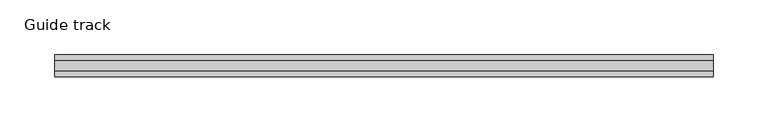
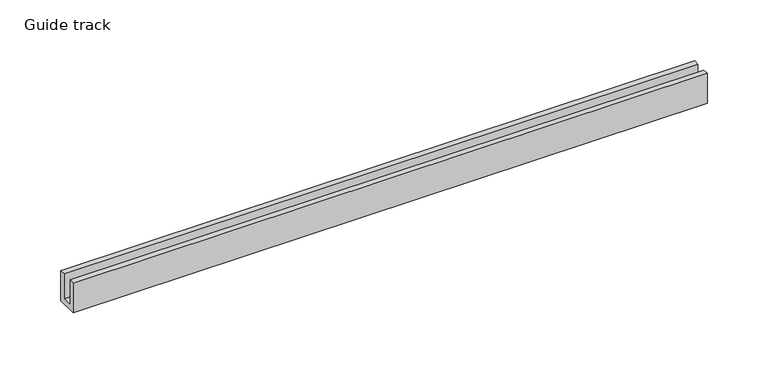
"""IFC4 building model written with IfcOpenShell, lengths in millimetres: proxy geometry, Guide track."""

import ifcopenshell
import ifcopenshell.guid

model = None  # the IFC model being written
_history = None  # IfcOwnerHistory: only IFC2X3 demands one
_inside = {}  # id of a spatial element -> (the spatial element, [elements in it])
_under = {}  # id of a project, library or spatial element -> (it, [spatial elements below it])
_declared = {}  # id of a project -> (the project, [libraries it declares])
_typed = {}  # id of a type object -> (the type object, [elements of that type])
_made_of = {}  # id of a material, layer set ... -> (it, [elements and type objects made of it])


def new_model(schema):
    """Start an empty IFC model of exactly this schema.

    Asked for "IFC4X3", IfcOpenShell would pick the latest addendum, in which some entities
    have other attributes; the version numbers below select the first issue.
    IFC2X3 requires an IfcOwnerHistory on every rooted entity: one is made here for all.
    """
    global model, _history
    if schema == "IFC4X3":
        model = ifcopenshell.file(schema_version=(4, 3, 0, 0))
    else:
        model = ifcopenshell.file(schema=schema)
    _inside.clear()
    _under.clear()
    _declared.clear()
    _typed.clear()
    _made_of.clear()
    _history = None
    if model.schema == "IFC2X3":
        org = make("IfcOrganization", Name="unknown")
        user = make(
            "IfcPersonAndOrganization",
            ThePerson=make("IfcPerson", FamilyName="unknown"),
            TheOrganization=org,
        )
        app = make(
            "IfcApplication",
            ApplicationDeveloper=org,
            Version="unknown",
            ApplicationFullName="unknown",
            ApplicationIdentifier="unknown",
        )
        _history = make(
            "IfcOwnerHistory",
            OwningUser=user,
            OwningApplication=app,
            ChangeAction="ADDED",
            CreationDate=0,
        )
    return model


def make(cls, **values):
    """One entity of the class cls with the attributes given. An attribute that is None is left unset."""
    return model.create_entity(
        cls, **{name: value for name, value in values.items() if value is not None}
    )


def rooted(cls, **values):
    """An entity with a GlobalId (a new one), such as an element, a storey or a relation."""
    return make(cls, GlobalId=ifcopenshell.guid.new(), OwnerHistory=_history, **values)


def si_unit(unit_type, name, prefix=None):
    """IfcSIUnit, for example si_unit("LENGTHUNIT", "METRE", prefix="MILLI")."""
    return make("IfcSIUnit", UnitType=unit_type, Prefix=prefix, Name=name)


def assignment(units):
    """IfcUnitAssignment: the units of a project."""
    return None if units is None else make("IfcUnitAssignment", Units=units)


def point(xyz):
    """IfcCartesianPoint."""
    return None if xyz is None else make("IfcCartesianPoint", Coordinates=xyz)


def direction(xyz):
    """IfcDirection."""
    return None if xyz is None else make("IfcDirection", DirectionRatios=xyz)


def frame(location, z_axis=None, x_axis=None):
    """IfcAxis2Placement3D, a coordinate frame: its origin and axes. An axis left out is left unset."""
    return make(
        "IfcAxis2Placement3D",
        Location=point(location),
        Axis=direction(z_axis),
        RefDirection=direction(x_axis),
    )


def origin():
    """The frame at (0, 0, 0) with its axes left unset."""
    return frame((0.0, 0.0, 0.0))


def place(relative_to, where):
    """IfcLocalPlacement: puts the frame where relative to a parent placement (None: the world)."""
    return make(
        "IfcLocalPlacement", PlacementRelTo=relative_to, RelativePlacement=where
    )


def context(
    kind, dimensions, precision=None, world=None, true_north=None, identifier=None
):
    """IfcGeometricRepresentationContext, for example the 3D "Model" context."""
    return make(
        "IfcGeometricRepresentationContext",
        ContextIdentifier=identifier,
        ContextType=kind,
        CoordinateSpaceDimension=dimensions,
        Precision=precision,
        WorldCoordinateSystem=world,
        TrueNorth=true_north,
    )


def project(units=None, contexts=None):
    """IfcProject with its units and contexts."""
    return rooted(
        "IfcProject",
        Name="project",
        RepresentationContexts=contexts,
        UnitsInContext=assignment(units),
    )


def spatial(cls, under=None, at=None, **own):
    """A site, building, storey or space (cls), placed at a placement, below another one or the project."""
    s = rooted(cls, ObjectPlacement=at, **own)
    if under is not None:
        _under.setdefault(under.id(), (under, []))[1].append(s)
    return s


def polyline(points):
    """IfcPolyline through the points."""
    return make("IfcPolyline", Points=[point(p) for p in points])


def outline(outer, holes=None, kind="AREA"):
    """IfcArbitraryClosedProfileDef: a profile drawn as a closed curve; with holes, ...WithVoids."""
    if holes is None:
        return make("IfcArbitraryClosedProfileDef", ProfileType=kind, OuterCurve=outer)
    return make(
        "IfcArbitraryProfileDefWithVoids",
        ProfileType=kind,
        OuterCurve=outer,
        InnerCurves=holes,
    )


def extrude(swept, where, along, depth):
    """IfcExtrudedAreaSolid: the profile swept, set in the frame where, extruded along a direction by depth."""
    return make(
        "IfcExtrudedAreaSolid",
        SweptArea=swept,
        Position=where,
        ExtrudedDirection=direction(along),
        Depth=depth,
    )


def shape(context_of_items, identifier, shape_type, items):
    """IfcShapeRepresentation: the items that make up one representation, for example the "Body"."""
    return make(
        "IfcShapeRepresentation",
        ContextOfItems=context_of_items,
        RepresentationIdentifier=identifier,
        RepresentationType=shape_type,
        Items=items,
    )


def source(mapping_origin, context_of_items, identifier, shape_type, items):
    """IfcRepresentationMap: a shape defined once, which mapped items show again and again."""
    return make(
        "IfcRepresentationMap",
        MappingOrigin=mapping_origin,
        MappedRepresentation=shape(context_of_items, identifier, shape_type, items),
    )


def transform(
    local_origin,
    x_axis=None,
    y_axis=None,
    z_axis=None,
    scale=None,
    scale2=None,
    scale3=None,
    uniform=True,
):
    """IfcCartesianTransformationOperator3D, or its non-uniform kind. x_axis, y_axis, z_axis: its Axis1, 2, 3."""
    if uniform:
        return make(
            "IfcCartesianTransformationOperator3D",
            Axis1=direction(x_axis),
            Axis2=direction(y_axis),
            LocalOrigin=point(local_origin),
            Scale=scale,
            Axis3=direction(z_axis),
        )
    return make(
        "IfcCartesianTransformationOperator3DnonUniform",
        Axis1=direction(x_axis),
        Axis2=direction(y_axis),
        LocalOrigin=point(local_origin),
        Scale=scale,
        Axis3=direction(z_axis),
        Scale2=scale2,
        Scale3=scale3,
    )


def mapped(mapping_source, mapping_target):
    """IfcMappedItem: shows the shape of a source again, moved by a transform."""
    return make(
        "IfcMappedItem", MappingSource=mapping_source, MappingTarget=mapping_target
    )


def made_of(thing, what):
    """Note that an element or type object is made of a material, layer set ...; save() writes the relation."""
    if what is not None:
        _made_of.setdefault(what.id(), (what, []))[1].append(thing)
    return thing


def element(
    cls,
    number,
    at=None,
    inside=None,
    cuts=None,
    type_object=None,
    material=None,
    context=None,
    identifier="Body",
    shape_type=None,
    held_by="IfcProductDefinitionShape",
    body=None,
    shapes=None,
    **own,
):
    """One element of the class cls, such as IfcWall. Its Tag is "e" and its number.

    at: its placement. inside: the storey or other place that contains it. cuts: it is an
    opening in that element (IfcRelVoidsElement). A single representation is given by context,
    identifier, shape_type and body (its items); several are given by shapes. held_by: the class
    of the entity that holds the representations. save() writes the other relations.
    """
    e = rooted(cls, Tag="e%d" % number, ObjectPlacement=at, **own)
    if body is not None:
        shapes = [shape(context, identifier, shape_type, body)]
    if shapes is not None:
        e.Representation = make(held_by, Representations=shapes)
    if inside is not None:
        _inside.setdefault(inside.id(), (inside, []))[1].append(e)
    if cuts is not None:
        rooted(
            "IfcRelVoidsElement", RelatingBuildingElement=cuts, RelatedOpeningElement=e
        )
    if type_object is not None:
        _typed.setdefault(type_object.id(), (type_object, []))[1].append(e)
    return made_of(e, material)


def aggregate(whole, parts):
    """IfcRelAggregates: a whole, such as a stair, and the parts it consists of."""
    return rooted("IfcRelAggregates", RelatingObject=whole, RelatedObjects=parts)


def save(model, path):
    """Write the relations noted so far, then the file.

    IfcRelAggregates (storeys below a building ...), IfcRelContainedInSpatialStructure (elements
    in a storey), IfcRelDefinesByType, IfcRelAssociatesMaterial and IfcRelDeclares: one each for
    every whole, place, type object, material and project.
    """
    for whole, parts in _under.values():
        aggregate(whole, parts)
    for where, things in _inside.values():
        rooted(
            "IfcRelContainedInSpatialStructure",
            RelatedElements=things,
            RelatingStructure=where,
        )
    for kind, things in _typed.values():
        rooted("IfcRelDefinesByType", RelatedObjects=things, RelatingType=kind)
    for what, things in _made_of.values():
        rooted("IfcRelAssociatesMaterial", RelatedObjects=things, RelatingMaterial=what)
    for by, libraries in _declared.values():
        rooted("IfcRelDeclares", RelatingContext=by, RelatedDefinitions=libraries)
    model.write(path)


def guide_track_fc9d04b2(model_context):
    return source(origin(), model_context, "Body", "SweptSolid", [
        extrude(outline(polyline([(-20.0, 30.0), (-15.0, 30.0), (-15.0, 5.0), (-5.0, 5.0), (-5.0, 30.0), (0.0, 30.0), (0.0, 0.0), (-20.0, 0.0), (-20.0, 30.0)])), frame((0.0, 0.0, 0.0), z_axis=(1.0, 0.0, 0.0), x_axis=(0.0, 1.0, 0.0)), (0.0, 0.0, 1.0), 600.0),
    ])


if __name__ == "__main__":
    model = new_model("IFC4")
    model_context = context("Model", 3, world=origin())
    ifc_project = project(units=[si_unit("LENGTHUNIT", "METRE", prefix="MILLI")], contexts=[model_context])
    site = spatial("IfcSite", under=ifc_project)
    building = spatial("IfcBuilding", under=site)
    placement = place(None, origin())
    guide_track_shape = guide_track_fc9d04b2(model_context)
    element("IfcBuildingElementProxy", 1, Name="Guide track", ObjectType="Guide track", at=placement, inside=building, context=model_context, shape_type="MappedRepresentation", body=[
        mapped(guide_track_shape, transform((0.0, 0.0, 0.0), x_axis=(1.0, 0.0, 0.0), y_axis=(0.0, 1.0, 0.0), z_axis=(0.0, 0.0, 1.0))),
    ])
    save(model, "model.ifc")
